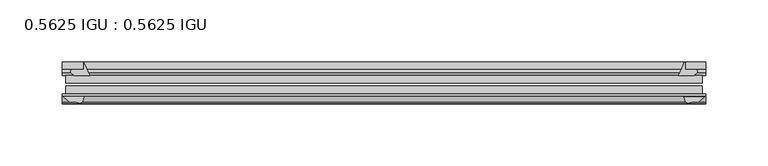
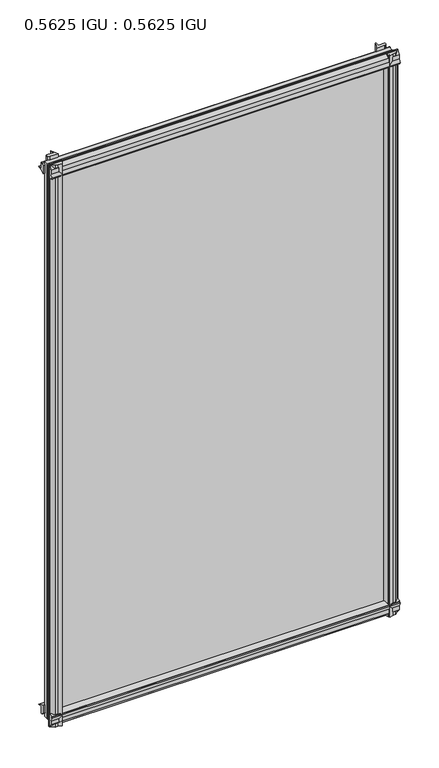
"""IFC4 building model written with IfcOpenShell, lengths in millimetres: plate geometry, 0.5625 IGU : 0.5625 IGU."""

from ifc_helpers import new_model, si_unit, point, frame, frame_2d, origin, place, context, project, spatial, polyline, circle_curve, trimmed, segment, composite_curve, outline, extrude, source, transform, mapped, element, save


def plate_0_5625_igu_0_5625_igu_bb91c215(model_context):
    return source(origin(), model_context, "Body", "SweptSolid", [
        extrude(outline(composite_curve([segment(trimmed(circle_curve(frame_2d((-37.8345654, 15.3636795)), 15.5602222), [point((-35.093275, 0.0468313))], [point((-27.955875, 3.3415337))], True, "CARTESIAN"), True, "CONTINUOUS"), segment(polyline([(-27.955875, 3.3415337), (-27.955875, -17.9974199)]), True, "CONTINUOUS"), segment(trimmed(circle_curve(frame_2d((-28.971875, -17.9974199)), 1.016), [point((-27.955875, -17.9974199))], [point((-29.7387172, -18.6639099))], False, "CARTESIAN"), True, "CONTINUOUS"), segment(polyline([(-29.7387172, -18.6639099), (-34.305875, -13.4090837), (-34.305875, -7.4052024), (-35.880675, -1.5279687), (-34.305875, -1.5279687), (-34.305875, -0.7405687)]), True, "CONTINUOUS"), segment(trimmed(circle_curve(frame_2d((-35.093275, -0.7405687)), 0.7874), [point((-34.305875, -0.7405687))], [point((-35.093275, 0.0468313))], True, "CARTESIAN"), True, "CONTINUOUS")], self_intersect=False)), frame((-259.0331096, 0.0, 0.0), z_axis=(1.0, 0.0, 0.0), x_axis=(0.0, 1.0, 0.0)), (0.0, 0.0, 1.0), 518.0662192),
        extrude(outline(composite_curve([segment(trimmed(circle_curve(frame_2d((11.4445684, 45.0767023)), 47.0962123), [point((-13.096875, 4.8800511))], [point((-2.198896, 0.0))], True, "CARTESIAN"), True, "CONTINUOUS"), segment(polyline([(-2.198896, 0.0), (-8.321675, 0.0), (-8.321675, -9.0936065)]), True, "CONTINUOUS"), segment(trimmed(circle_curve(frame_2d((-9.9050751, -9.085239)), 1.5834222), [point((-8.321675, -9.0936065))], [point((-11.0877177, -10.1381313))], False, "CARTESIAN"), True, "CONTINUOUS"), segment(polyline([(-11.0877177, -10.1381313), (-13.096875, -7.8711888), (-13.096875, 4.8800511)]), True, "CONTINUOUS")], self_intersect=False)), frame((-259.0331096, 0.0, 0.0), z_axis=(1.0, 0.0, 0.0), x_axis=(0.0, 1.0, 0.0)), (0.0, 0.0, 1.0), 518.0662192),
        extrude(outline(composite_curve([segment(polyline([(-34.305875, 857.9590837), (-29.7387172, 863.2139099)]), True, "CONTINUOUS"), segment(trimmed(circle_curve(frame_2d((-28.971875, 862.5474199)), 1.016), [point((-29.7387172, 863.2139099))], [point((-27.955875, 862.5474199))], False, "CARTESIAN"), True, "CONTINUOUS"), segment(polyline([(-27.955875, 862.5474199), (-27.955875, 841.2084663)]), True, "CONTINUOUS"), segment(trimmed(circle_curve(frame_2d((-37.8345654, 829.1863205)), 15.5602222), [point((-27.955875, 841.2084663))], [point((-35.093275, 844.5031687))], True, "CARTESIAN"), True, "CONTINUOUS"), segment(trimmed(circle_curve(frame_2d((-35.093275, 845.2905687)), 0.7874), [point((-35.093275, 844.5031687))], [point((-34.305875, 845.2905688))], True, "CARTESIAN"), True, "CONTINUOUS"), segment(polyline([(-34.305875, 845.2905688), (-34.305875, 846.0779687), (-35.880675, 846.0779687), (-34.305875, 851.9552024), (-34.305875, 857.9590837)]), True, "CONTINUOUS")], self_intersect=False)), frame((-259.0331096, 0.0, 0.0), z_axis=(1.0, 0.0, 0.0), x_axis=(0.0, 1.0, 0.0)), (0.0, 0.0, 1.0), 518.0662192),
        extrude(outline(composite_curve([segment(trimmed(circle_curve(frame_2d((-9.9050751, 853.635239)), 1.5834222), [point((-11.0877177, 854.6881313))], [point((-8.321675, 853.6436065))], False, "CARTESIAN"), True, "CONTINUOUS"), segment(polyline([(-8.321675, 853.6436065), (-8.321675, 844.55), (-2.198896, 844.55)]), True, "CONTINUOUS"), segment(trimmed(circle_curve(frame_2d((11.4445684, 799.4732977)), 47.0962123), [point((-2.198896, 844.55))], [point((-13.096875, 839.6699489))], True, "CARTESIAN"), True, "CONTINUOUS"), segment(polyline([(-13.096875, 839.6699489), (-13.096875, 852.4211888), (-11.0877177, 854.6881313)]), True, "CONTINUOUS")], self_intersect=False)), frame((-259.0331096, 0.0, 0.0), z_axis=(1.0, 0.0, 0.0), x_axis=(0.0, 1.0, 0.0)), (0.0, 0.0, 1.0), 518.0662192),
        extrude(outline(composite_curve([segment(polyline([(242.4039894, -8.321675), (250.6732711, -8.321675)]), True, "CONTINUOUS"), segment(trimmed(circle_curve(frame_2d((250.6649036, -9.9050751)), 1.5834222), [point((250.6732711, -8.321675))], [point((251.7177959, -11.0877177))], False, "CARTESIAN"), True, "CONTINUOUS"), segment(polyline([(251.7177959, -11.0877177), (249.4508534, -13.096875), (236.6996135, -13.096875)]), True, "CONTINUOUS"), segment(trimmed(circle_curve(frame_2d((196.5029623, 11.4445684)), 47.0962123), [point((236.6996135, -13.096875))], [point((241.5328333, -2.352675))], True, "CARTESIAN"), True, "CONTINUOUS"), segment(polyline([(241.5328333, -2.352675), (242.4039894, -2.5510821), (242.4039894, -8.321675)]), True, "CONTINUOUS")], self_intersect=False)), frame((0.0, 0.0, -19.0134199), z_axis=(0.0, 0.0, 1.0), x_axis=(1.0, 0.0, 0.0)), (0.0, 0.0, 1.0), 882.2273298),
        extrude(outline(composite_curve([segment(trimmed(circle_curve(frame_2d((258.0171096, -28.971875)), 1.016), [point((258.0171096, -27.955875))], [point((258.6835996, -29.7387172))], False, "CARTESIAN"), True, "CONTINUOUS"), segment(polyline([(258.6835996, -29.7387172), (253.4287734, -34.305875), (249.4166669, -34.305875), (243.5394333, -35.880675), (243.5394333, -34.305875), (242.4490777, -34.305875)]), True, "CONTINUOUS"), segment(trimmed(circle_curve(frame_2d((230.8131251, -36.1215237)), 11.7767556), [point((242.4490777, -34.305875))], [point((239.2992405, -27.955875))], True, "CARTESIAN"), True, "CONTINUOUS"), segment(polyline([(239.2992405, -27.955875), (258.0171096, -27.955875)]), True, "CONTINUOUS")], self_intersect=False)), frame((0.0, 0.0, -19.0134199), z_axis=(0.0, 0.0, 1.0), x_axis=(1.0, 0.0, 0.0)), (0.0, 0.0, 1.0), 882.2273298),
        extrude(outline(composite_curve([segment(trimmed(circle_curve(frame_2d((-196.5029623, 11.4445684)), 47.0962123), [point((-241.4831215, -2.5138875))], [point((-236.6996135, -13.096875))], True, "CARTESIAN"), True, "CONTINUOUS"), segment(polyline([(-236.6996135, -13.096875), (-249.4508534, -13.096875), (-251.7177959, -11.0877177)]), True, "CONTINUOUS"), segment(trimmed(circle_curve(frame_2d((-250.6649036, -9.9050751)), 1.5834222), [point((-251.7177959, -11.0877177))], [point((-250.6732711, -8.321675))], False, "CARTESIAN"), True, "CONTINUOUS"), segment(polyline([(-250.6732711, -8.321675), (-241.4831215, -8.321675), (-241.4831215, -2.5138875)]), True, "CONTINUOUS")], self_intersect=False)), frame((0.0, 0.0, -19.0134199), z_axis=(0.0, 0.0, 1.0), x_axis=(1.0, 0.0, 0.0)), (0.0, 0.0, 1.0), 882.5768398),
        extrude(outline(composite_curve([segment(trimmed(circle_curve(frame_2d((-230.8131251, -36.1215237)), 11.7767556), [point((-239.2992405, -27.955875))], [point((-242.4490777, -34.305875))], True, "CARTESIAN"), True, "CONTINUOUS"), segment(polyline([(-242.4490777, -34.305875), (-243.5394333, -34.305875), (-243.5394333, -35.880675), (-249.4166669, -34.305875), (-253.4287734, -34.305875), (-258.6835996, -29.7387172)]), True, "CONTINUOUS"), segment(trimmed(circle_curve(frame_2d((-258.0171096, -28.971875)), 1.016), [point((-258.6835996, -29.7387172))], [point((-258.0171096, -27.955875))], False, "CARTESIAN"), True, "CONTINUOUS"), segment(polyline([(-258.0171096, -27.955875), (-239.2992405, -27.955875)]), True, "CONTINUOUS")], self_intersect=False)), frame((0.0, 0.0, -19.0134199), z_axis=(0.0, 0.0, 1.0), x_axis=(1.0, 0.0, 0.0)), (0.0, 0.0, 1.0), 882.5768398),
        extrude(outline(polyline([(-256.2521333, -13.096875), (256.2521333, -13.096875), (256.2521333, -19.396075), (-256.2521333, -19.396075), (-256.2521333, -13.096875)])), frame((0.0, 0.0, -13.5929687), z_axis=(0.0, 0.0, 1.0), x_axis=(1.0, 0.0, 0.0)), (0.0, 0.0, 1.0), 871.7359375),
        extrude(outline(polyline([(256.2521333, -21.656675), (256.2521333, -27.955875), (-256.2521333, -27.955875), (-256.2521333, -21.656675), (256.2521333, -21.656675)])), frame((0.0, 0.0, -13.5929687), z_axis=(0.0, 0.0, 1.0), x_axis=(1.0, 0.0, 0.0)), (0.0, 0.0, 1.0), 871.7359375),
    ])


if __name__ == "__main__":
    model = new_model("IFC4")
    model_context = context("Model", 3, world=origin())
    ifc_project = project(units=[si_unit("LENGTHUNIT", "METRE", prefix="MILLI")], contexts=[model_context])
    site = spatial("IfcSite", under=ifc_project)
    building = spatial("IfcBuilding", under=site)
    placement = place(None, origin())
    plate_0_5625_igu_0_5625_igu_shape = plate_0_5625_igu_0_5625_igu_bb91c215(model_context)
    element("IfcPlate", 1, ObjectType="0.5625 IGU : 0.5625 IGU", at=placement, inside=building, context=model_context, shape_type="MappedRepresentation", body=[
        mapped(plate_0_5625_igu_0_5625_igu_shape, transform((0.0, 0.0, 0.0), x_axis=(1.0, 0.0, 0.0), y_axis=(0.0, 1.0, 0.0), z_axis=(0.0, 0.0, 1.0))),
    ])
    save(model, "model.ifc")
